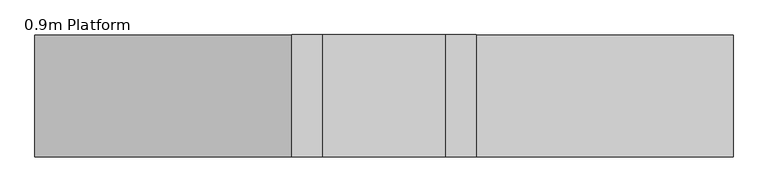
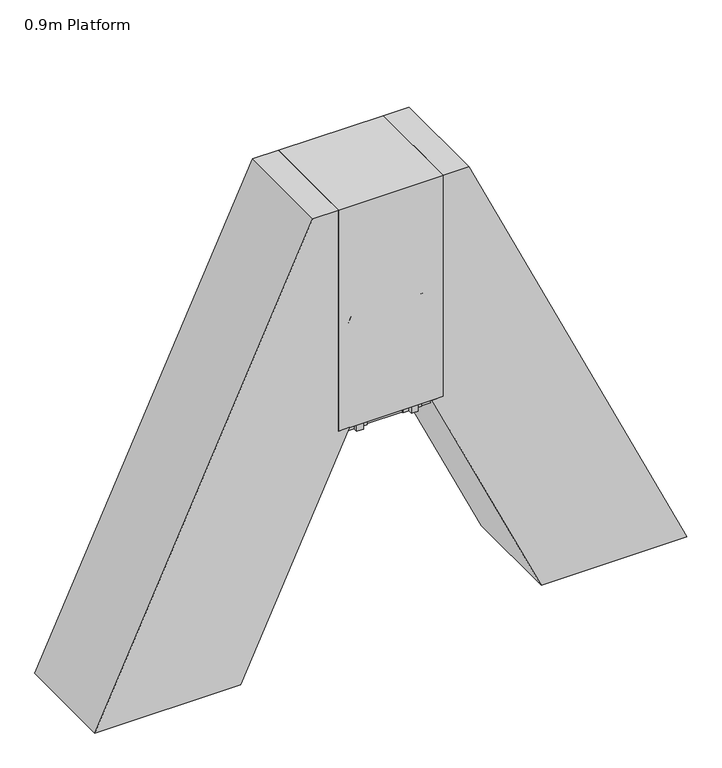
"""IFC4 building model written with IfcOpenShell, lengths in millimetres: proxy geometry, 0.9m Platform."""

from ifc_helpers import new_model, si_unit, point, frame, frame_2d, origin, origin_with_axes, place, context, project, spatial, polyline, circle_curve, ellipse_curve, trimmed, segment, composite_curve, outline, extrude, source, transform, mapped, element, save
from ifc_brep_helpers import plane_surface, cylinder_surface, advanced_brep


def proxy_0_9m_platform_f0113017(model_context):
    return source(origin(), model_context, "Body", "SolidModel", [
        extrude(outline(polyline([(1750.0, 412.6767824), (1750.0, 302.3389904), (1670.0, 265.0343777), (1670.0, 375.3721748), (1750.0, 412.6767824)])), frame((0.0, -304.5, 0.0), z_axis=(0.0, 1.0, 0.0), x_axis=(0.0, 0.0, 1.0)), (0.0, 0.0, 1.0), 6.0),
        extrude(outline(polyline([(1750.0, 412.6767824), (1750.0, 302.3389904), (1670.0, 265.0343777), (1670.0, 375.3721748), (1750.0, 412.6767824)])), frame((0.0, 298.5, 0.0), z_axis=(0.0, 1.0, 0.0), x_axis=(0.0, 0.0, 1.0)), (0.0, 0.0, 1.0), 6.0),
        extrude(outline(polyline([(1750.0, 405.5048261), (1750.0, 385.2429206), (1749.2749538, 384.9048261), (1750.0, 384.5667315), (1750.0, 364.6429206), (1749.2749538, 364.3048261), (1750.0, 363.9667315), (1750.0, 344.0429206), (1749.2749538, 343.7048261), (1750.0, 343.3667315), (1750.0, 323.4429206), (1749.2749538, 323.1048261), (1750.0, 322.7667315), (1750.0, 302.3389904), (1712.0999991, 284.6659297), (1712.0999991, 286.8726855), (1747.0, 303.1468232), (1747.0, 401.8991475), (1712.0999991, 385.625012), (1712.0999991, 387.8317678), (1750.0, 405.5048261)])), frame((0.0, -298.5, 0.0), z_axis=(0.0, 1.0, 0.0), x_axis=(0.0, 0.0, 1.0)), (0.0, 0.0, 1.0), 597.0),
        extrude(outline(polyline([(1500.0, 296.0952949), (1500.0, 185.7575029), (1420.0, 148.4528903), (1420.0, 258.7906873), (1500.0, 296.0952949)])), frame((0.0, -304.5, 0.0), z_axis=(0.0, 1.0, 0.0), x_axis=(0.0, 0.0, 1.0)), (0.0, 0.0, 1.0), 6.0),
        extrude(outline(polyline([(1500.0, 296.0952949), (1500.0, 185.7575029), (1420.0, 148.4528903), (1420.0, 258.7906873), (1500.0, 296.0952949)])), frame((0.0, 298.5, 0.0), z_axis=(0.0, 1.0, 0.0), x_axis=(0.0, 0.0, 1.0)), (0.0, 0.0, 1.0), 6.0),
        extrude(outline(polyline([(1500.0, 288.9233386), (1500.0, 268.6614332), (1499.2749538, 268.3233386), (1500.0, 267.9852441), (1500.0, 248.0614332), (1499.2749538, 247.7233386), (1500.0, 247.3852441), (1500.0, 227.4614332), (1499.2749538, 227.1233386), (1500.0, 226.7852441), (1500.0, 206.8614332), (1499.2749538, 206.5233386), (1500.0, 206.1852441), (1500.0, 185.7575029), (1462.0999991, 168.0844423), (1462.0999991, 170.2911981), (1497.0, 186.5653358), (1497.0, 285.3176601), (1462.0999991, 269.0435246), (1462.0999991, 271.2502804), (1500.0, 288.9233386)])), frame((0.0, -298.5, 0.0), z_axis=(0.0, 1.0, 0.0), x_axis=(0.0, 0.0, 1.0)), (0.0, 0.0, 1.0), 597.0),
        extrude(outline(polyline([(1250.0, 179.5138075), (1250.0, 69.1760155), (1170.0, 31.8714028), (1170.0, 142.2091999), (1250.0, 179.5138075)])), frame((0.0, -304.5, 0.0), z_axis=(0.0, 1.0, 0.0), x_axis=(0.0, 0.0, 1.0)), (0.0, 0.0, 1.0), 6.0),
        extrude(outline(polyline([(1250.0, 179.5138075), (1250.0, 69.1760155), (1170.0, 31.8714028), (1170.0, 142.2091999), (1250.0, 179.5138075)])), frame((0.0, 298.5, 0.0), z_axis=(0.0, 1.0, 0.0), x_axis=(0.0, 0.0, 1.0)), (0.0, 0.0, 1.0), 6.0),
        extrude(outline(polyline([(1250.0, 172.3418512), (1250.0, 152.0799458), (1249.2749538, 151.7418512), (1250.0, 151.4037566), (1250.0, 131.4799458), (1249.2749538, 131.1418512), (1250.0, 130.8037566), (1250.0, 110.8799458), (1249.2749538, 110.5418512), (1250.0, 110.2037566), (1250.0, 90.2799458), (1249.2749538, 89.9418512), (1250.0, 89.6037566), (1250.0, 69.1760155), (1212.0999991, 51.5029549), (1212.0999991, 53.7097107), (1247.0, 69.9838484), (1247.0, 168.7361726), (1212.0999991, 152.4620372), (1212.0999991, 154.668793), (1250.0, 172.3418512)])), frame((0.0, -298.5, 0.0), z_axis=(0.0, 1.0, 0.0), x_axis=(0.0, 0.0, 1.0)), (0.0, 0.0, 1.0), 597.0),
        extrude(outline(polyline([(1000.0, 62.9323201), (1000.0, -47.4054719), (920.0, -84.7100846), (920.0, 25.6277125), (1000.0, 62.9323201)])), frame((0.0, -304.5, 0.0), z_axis=(0.0, 1.0, 0.0), x_axis=(0.0, 0.0, 1.0)), (0.0, 0.0, 1.0), 6.0),
        extrude(outline(polyline([(1000.0, 62.9323201), (1000.0, -47.4054719), (920.0, -84.7100846), (920.0, 25.6277125), (1000.0, 62.9323201)])), frame((0.0, 298.5, 0.0), z_axis=(0.0, 1.0, 0.0), x_axis=(0.0, 0.0, 1.0)), (0.0, 0.0, 1.0), 6.0),
        extrude(outline(polyline([(1000.0, 55.7603638), (1000.0, 35.4984584), (999.2749538, 35.1603638), (1000.0, 34.8222692), (1000.0, 14.8984584), (999.2749538, 14.5603638), (1000.0, 14.2222692), (1000.0, -5.7015416), (999.2749538, -6.0396362), (1000.0, -6.3777308), (1000.0, -26.3015416), (999.2749538, -26.6396362), (1000.0, -26.9777308), (1000.0, -47.4054719), (962.0999991, -65.0785326), (962.0999991, -62.8717767), (997.0, -46.5976391), (997.0, 52.1546852), (962.0999991, 35.8805498), (962.0999991, 38.0873055), (1000.0, 55.7603638)])), frame((0.0, -298.5, 0.0), z_axis=(0.0, 1.0, 0.0), x_axis=(0.0, 0.0, 1.0)), (0.0, 0.0, 1.0), 597.0),
        extrude(outline(polyline([(750.0, -53.6491673), (750.0, -163.9869594), (670.0, -201.291572), (670.0, -90.9537749), (750.0, -53.6491673)])), frame((0.0, -304.5, 0.0), z_axis=(0.0, 1.0, 0.0), x_axis=(0.0, 0.0, 1.0)), (0.0, 0.0, 1.0), 6.0),
        extrude(outline(polyline([(750.0, -53.6491673), (750.0, -163.9869594), (670.0, -201.291572), (670.0, -90.9537749), (750.0, -53.6491673)])), frame((0.0, 298.5, 0.0), z_axis=(0.0, 1.0, 0.0), x_axis=(0.0, 0.0, 1.0)), (0.0, 0.0, 1.0), 6.0),
        extrude(outline(polyline([(750.0, -60.8211236), (750.0, -81.0830291), (749.2749538, -81.4211236), (750.0, -81.7592182), (750.0, -101.6830291), (749.2749538, -102.0211236), (750.0, -102.3592182), (750.0, -122.2830291), (749.2749538, -122.6211236), (750.0, -122.9592182), (750.0, -142.8830291), (749.2749538, -143.2211236), (750.0, -143.5592182), (750.0, -163.9869594), (712.0999991, -181.66002), (712.0999991, -179.4532642), (747.0, -163.1791265), (747.0, -64.4268022), (712.0999991, -80.7009377), (712.0999991, -78.4941819), (750.0, -60.8211236)])), frame((0.0, -298.5, 0.0), z_axis=(0.0, 1.0, 0.0), x_axis=(0.0, 0.0, 1.0)), (0.0, 0.0, 1.0), 597.0),
        extrude(outline(polyline([(500.0, -170.2306548), (500.0, -280.5684468), (420.0, -317.8730594), (420.0, -207.5352624), (500.0, -170.2306548)])), frame((0.0, -304.5, 0.0), z_axis=(0.0, 1.0, 0.0), x_axis=(0.0, 0.0, 1.0)), (0.0, 0.0, 1.0), 6.0),
        extrude(outline(polyline([(500.0, -170.2306548), (500.0, -280.5684468), (420.0, -317.8730594), (420.0, -207.5352624), (500.0, -170.2306548)])), frame((0.0, 298.5, 0.0), z_axis=(0.0, 1.0, 0.0), x_axis=(0.0, 0.0, 1.0)), (0.0, 0.0, 1.0), 6.0),
        extrude(outline(polyline([(500.0, -177.4026111), (500.0, -197.6645165), (499.2749538, -198.0026111), (500.0, -198.3407056), (500.0, -218.2645165), (499.2749538, -218.6026111), (500.0, -218.9407056), (500.0, -238.8645165), (499.2749538, -239.2026111), (500.0, -239.5407056), (500.0, -259.4645165), (499.2749538, -259.8026111), (500.0, -260.1407056), (500.0, -280.5684468), (462.0999991, -298.2415074), (462.0999991, -296.0347516), (497.0, -279.7606139), (497.0, -181.0082896), (462.0999991, -197.2824251), (462.0999991, -195.0756693), (500.0, -177.4026111)])), frame((0.0, -298.5, 0.0), z_axis=(0.0, 1.0, 0.0), x_axis=(0.0, 0.0, 1.0)), (0.0, 0.0, 1.0), 597.0),
        extrude(outline(polyline([(-0.0541093, 0.0), (0.7582532, 5.9447512), (185.4590013, 5.9447512), (254.8144324, -3.5328109), (254.0020699, -9.4775622), (184.6466388, 0.0), (-0.0541093, 0.0)])), frame((-204.795957, -375.0, 1079.978918), z_axis=(0.4226302122585525, 0.0, 0.9063022143227341), x_axis=(0.897956867570804, 0.13539374535780344, -0.4187385791880372)), (0.0, 0.0, 1.0), 80.0),
        extrude(outline(polyline([(-0.0541093, 0.0), (0.7582532, 5.9447512), (185.4590013, 5.9447512), (254.8144324, -3.5328109), (254.0020699, -9.4775622), (184.6466388, 0.0), (-0.0541093, 0.0)])), frame((156.4356149, -375.0, 1854.615856), z_axis=(0.4226302122585525, 0.0, 0.9063022143227341), x_axis=(0.897956867570804, 0.13539374535780344, -0.4187385791880372)), (0.0, 0.0, 1.0), 80.0),
        extrude(outline(polyline([(0.0, 32.0), (2.9999999, 32.0), (2.9999999, 0.0), (0.0, 0.0), (0.0, 32.0)])), frame((-220.2423578, -388.0, 1054.0803998), z_axis=(0.4226302122585525, 0.0, 0.9063022143227341), x_axis=(0.9063022143227341, 0.0, -0.4226302122585525)), (0.0, 0.0, 1.0), 140.0),
        extrude(outline(polyline([(0.0, 32.0), (2.9999999, 32.0), (2.9999999, 0.0), (0.0, 0.0), (0.0, 32.0)])), frame((140.9892141, -388.0, 1828.7173378), z_axis=(0.4226302122585525, 0.0, 0.9063022143227341), x_axis=(0.9063022143227341, 0.0, -0.4226302122585525)), (0.0, 0.0, 1.0), 140.0),
        extrude(outline(composite_curve([segment(trimmed(circle_curve(frame_2d((0.0, 14.189404)), 22.4521533), [point((-17.4, 0.0))], [point((17.4, 0.0))], False, "CARTESIAN"), True, "CONTINUOUS"), segment(polyline([(17.4, 0.0), (-17.4, 0.0)]), True, "CONTINUOUS")], self_intersect=False)), frame((-292.0894939, -372.0, 900.0090234), z_axis=(0.4226302122585525, 0.0, 0.9063022143227341), x_axis=(0.0, 1.0, 0.0)), (0.0, 0.0, 1.0), 2184.7225481),
        extrude(outline(polyline([(-0.0541093, 0.0), (184.6466388, 0.0), (254.0020699, 9.4775622), (254.8144324, 3.5328109), (185.4590013, -5.9447512), (0.7582532, -5.9447512), (-0.0541093, 0.0)])), frame((-204.7949657, 375.0, 1079.981044), z_axis=(0.4226302122585526, 0.0, 0.9063022143227341), x_axis=(0.8979568675708031, -0.13539374535780926, -0.4187385791880372)), (0.0, 0.0, 1.0), 80.0),
        extrude(outline(polyline([(-0.0541093, 0.0), (184.6466389, 0.0), (254.00207, 9.4775622), (254.8144324, 3.532811), (185.4590014, -5.9447512), (0.7582532, -5.9447512), (-0.0541093, 0.0)])), frame((156.4366062, 375.0, 1854.617982), z_axis=(0.4226302122585526, 0.0, 0.9063022143227341), x_axis=(0.8979568675708031, -0.13539374535780926, -0.4187385791880372)), (0.0, 0.0, 1.0), 80.0),
        extrude(outline(polyline([(0.0, -32.0), (0.0, 0.0), (2.9999999, 0.0), (2.9999999, -32.0), (0.0, -32.0)])), frame((-220.2413665, 388.0, 1054.0825258), z_axis=(0.4226302122585525, 0.0, 0.9063022143227341), x_axis=(0.9063022143227341, 0.0, -0.4226302122585525)), (0.0, 0.0, 1.0), 140.0),
        extrude(outline(polyline([(0.0, -32.0), (0.0, 0.0), (3.0, 0.0), (3.0, -32.0), (0.0, -32.0)])), frame((140.9902054, 388.0, 1828.7194638), z_axis=(0.4226302122585525, 0.0, 0.9063022143227341), x_axis=(0.9063022143227341, 0.0, -0.4226302122585525)), (0.0, 0.0, 1.0), 140.0),
        extrude(outline(composite_curve([segment(polyline([(-17.4, 0.0), (17.4, 0.0)]), True, "CONTINUOUS"), segment(trimmed(circle_curve(frame_2d((0.0, -14.189404)), 22.4521533), [point((17.4, 0.0))], [point((-17.4, 0.0))], False, "CARTESIAN"), True, "CONTINUOUS")], self_intersect=False)), frame((-292.0885026, 372.0, 900.0111494), z_axis=(0.4226302122585525, 0.0, 0.9063022143227341), x_axis=(0.0, -1.0, 0.0)), (0.0, 0.0, 1.0), 2184.7225481),
        extrude(outline(polyline([(2000.0, 529.2582698), (2000.0, 418.9204778), (1920.0, 381.6158651), (1920.0, 491.9536622), (2000.0, 529.2582698)])), frame((0.0, -304.5, 0.0), z_axis=(0.0, 1.0, 0.0), x_axis=(0.0, 0.0, 1.0)), (0.0, 0.0, 1.0), 6.0),
        extrude(outline(polyline([(2000.0, 529.2582698), (2000.0, 418.9204778), (1920.0, 381.6158651), (1920.0, 491.9536622), (2000.0, 529.2582698)])), frame((0.0, 298.5, 0.0), z_axis=(0.0, 1.0, 0.0), x_axis=(0.0, 0.0, 1.0)), (0.0, 0.0, 1.0), 6.0),
        extrude(outline(polyline([(2000.0, 522.0863135), (2000.0, 501.8244081), (1999.2749538, 501.4863135), (2000.0, 501.1482189), (2000.0, 481.2244081), (1999.2749538, 480.8863135), (2000.0, 480.5482189), (2000.0, 460.6244081), (1999.2749538, 460.2863135), (2000.0, 459.9482189), (2000.0, 440.0244081), (1999.2749538, 439.6863135), (2000.0, 439.3482189), (2000.0, 418.9204778), (1962.0999991, 401.2474171), (1962.0999991, 403.454173), (1997.0, 419.7283106), (1997.0, 518.4806349), (1962.0999991, 502.2064995), (1962.0999991, 504.4132553), (2000.0, 522.0863135)])), frame((0.0, -298.5, 0.0), z_axis=(0.0, 1.0, 0.0), x_axis=(0.0, 0.0, 1.0)), (0.0, 0.0, 1.0), 597.0),
        extrude(outline(polyline([(250.0, -286.8121422), (250.0, -397.1499342), (170.0, -434.4545469), (170.0, -324.1167498), (250.0, -286.8121422)])), frame((0.0, -304.5, 0.0), z_axis=(0.0, 1.0, 0.0), x_axis=(0.0, 0.0, 1.0)), (0.0, 0.0, 1.0), 6.0),
        extrude(outline(polyline([(250.0, -286.8121422), (250.0, -397.1499342), (170.0, -434.4545469), (170.0, -324.1167498), (250.0, -286.8121422)])), frame((0.0, 298.5, 0.0), z_axis=(0.0, 1.0, 0.0), x_axis=(0.0, 0.0, 1.0)), (0.0, 0.0, 1.0), 6.0),
        extrude(outline(polyline([(250.0, -293.9840985), (250.0, -314.2460039), (249.2749538, -314.5840985), (250.0, -314.9221931), (250.0, -334.8460039), (249.2749538, -335.1840985), (250.0, -335.5221931), (250.0, -355.4460039), (249.2749538, -355.7840985), (250.0, -356.1221931), (250.0, -376.0460039), (249.2749538, -376.3840985), (250.0, -376.7221931), (250.0, -397.1499342), (212.0999991, -414.8229949), (212.0999991, -412.616239), (247.0, -396.3421014), (247.0, -297.5897771), (212.0999991, -313.8639125), (212.0999991, -311.6571567), (250.0, -293.9840985)])), frame((0.0, -298.5, 0.0), z_axis=(0.0, 1.0, 0.0), x_axis=(0.0, 0.0, 1.0)), (0.0, 0.0, 1.0), 597.0),
        advanced_brep(
        [(682.0863135, -372.0, 2942.0), (682.0863135, -372.0, 2987.0), (669.3551755, -372.0, 2942.0), (640.687222, -372.0, 2987.0), (638.8104548, -372.0, 2876.4977609), (598.0267296, -372.0, 2895.5158512)],
        [
            (0, 1, circle_curve(frame((682.0863135, -372.0, 2964.5), z_axis=(1.0, 0.0, 0.0), x_axis=(0.0, 0.0, 1.0)), 22.5)),
            (1, 0, circle_curve(frame((682.0863135, -372.0, 2964.5), z_axis=(1.0, 0.0, 0.0), x_axis=(0.0, 0.0, 1.0)), 22.5)),
            (0, 2),
            (2, 3, ellipse_curve(frame((655.0211988, -372.0, 2964.5), z_axis=(0.8433932143582125, 0.0, 0.5372968322766498), x_axis=(0.5372968322766497, 0.0, -0.8433932143582125)), 26.6779476, 22.5)),
            (3, 1),
            (3, 2, ellipse_curve(frame((655.0211988, -372.0, 2964.5), z_axis=(0.8433932143582125, 0.0, 0.5372968322766498), x_axis=(0.5372968322766497, 0.0, -0.8433932143582125)), 26.6779476, 22.5)),
            (4, 5, circle_curve(frame((618.4185922, -372.0, 2886.0068061), z_axis=(-0.42262422805095523, 0.0, -0.9063050048765781), x_axis=(-0.9063050048765781, 0.0, 0.42262422805095523)), 22.5)),
            (5, 4, circle_curve(frame((618.4185922, -372.0, 2886.0068061), z_axis=(-0.42262422805095523, 0.0, -0.9063050048765781), x_axis=(-0.9063050048765781, 0.0, 0.42262422805095523)), 22.5)),
            (2, 4),
            (5, 3),
        ],
        [
            plane_surface(frame((682.0863135, 0.0, 2987.0), z_axis=(1.0, 0.0, 0.0), x_axis=(0.0, 1.0, 0.0))),
            cylinder_surface(frame((682.0863135, -372.0, 2964.5), z_axis=(1.0, 0.0, 0.0), x_axis=(0.0, 0.0, 1.0)), 22.5),
            plane_surface(frame((598.0267296, 0.0, 2895.5158512), z_axis=(-0.42262422805095523, 0.0, -0.9063050048765781), x_axis=(0.0, 1.0, 0.0))),
            cylinder_surface(frame((661.0790846, -372.0, 2977.4909549), z_axis=(0.42262422805095523, 0.0, 0.9063050048765781), x_axis=(-0.9063050048765781, 0.0, 0.42262422805095523)), 22.5),
        ],
        [
            (0, [[1, 2]]),
            (1, [[-1, 3, 4, 5]]),
            (1, [[-2, -5, 6, -3]]),
            (2, [[7, 8]]),
            (3, [[-4, 9, -8, 10]]),
            (3, [[-6, -10, -7, -9]]),
        ],
    ),
        advanced_brep(
        [(682.0863135, 372.0, 2942.0), (682.0863135, 372.0, 2987.0), (669.3551755, 372.0, 2942.0), (640.687222, 372.0, 2987.0), (638.8104548, 372.0, 2876.4977609), (598.0267296, 372.0, 2895.5158512)],
        [
            (0, 1, circle_curve(frame((682.0863135, 372.0, 2964.5), z_axis=(1.0, 0.0, 0.0), x_axis=(0.0, 0.0, 1.0)), 22.5)),
            (1, 0, circle_curve(frame((682.0863135, 372.0, 2964.5), z_axis=(1.0, 0.0, 0.0), x_axis=(0.0, 0.0, 1.0)), 22.5)),
            (0, 2),
            (2, 3, ellipse_curve(frame((655.0211988, 372.0, 2964.5), z_axis=(0.8433932143582125, 0.0, 0.5372968322766498), x_axis=(0.5372968322766497, 0.0, -0.8433932143582125)), 26.6779476, 22.5)),
            (3, 1),
            (3, 2, ellipse_curve(frame((655.0211988, 372.0, 2964.5), z_axis=(0.8433932143582125, 0.0, 0.5372968322766498), x_axis=(0.5372968322766497, 0.0, -0.8433932143582125)), 26.6779476, 22.5)),
            (4, 5, circle_curve(frame((618.4185922, 372.0, 2886.0068061), z_axis=(-0.42262422805095523, 0.0, -0.9063050048765781), x_axis=(-0.9063050048765781, 0.0, 0.42262422805095523)), 22.5)),
            (5, 4, circle_curve(frame((618.4185922, 372.0, 2886.0068061), z_axis=(-0.42262422805095523, 0.0, -0.9063050048765781), x_axis=(-0.9063050048765781, 0.0, 0.42262422805095523)), 22.5)),
            (2, 4),
            (5, 3),
        ],
        [
            plane_surface(frame((682.0863135, 0.0, 2987.0), z_axis=(1.0, 0.0, 0.0), x_axis=(0.0, 1.0, 0.0))),
            cylinder_surface(frame((682.0863135, 372.0, 2964.5), z_axis=(1.0, 0.0, 0.0), x_axis=(0.0, 0.0, 1.0)), 22.5),
            plane_surface(frame((598.0267296, 0.0, 2895.5158512), z_axis=(-0.42262422805095523, 0.0, -0.9063050048765781), x_axis=(0.0, 1.0, 0.0))),
            cylinder_surface(frame((661.0790846, 372.0, 2977.4909549), z_axis=(0.42262422805095523, 0.0, 0.9063050048765781), x_axis=(-0.9063050048765781, 0.0, 0.42262422805095523)), 22.5),
        ],
        [
            (0, [[1, 2]]),
            (1, [[-1, 3, 4, 5]]),
            (1, [[-2, -5, 6, -3]]),
            (2, [[7, 8]]),
            (3, [[-4, 9, -8, 10]]),
            (3, [[-6, -10, -7, -9]]),
        ],
    ),
        extrude(outline(polyline([(-304.5, 80.0), (-304.5, 0.0), (-343.0, 0.0), (-343.0, 80.0), (-304.5, 80.0)])), frame((-422.6587693, 0.0, 6.0), z_axis=(0.4226182617406975, 0.0, 0.9063077870366509), x_axis=(0.0, 1.0, 0.0)), (0.0, 0.0, 1.0), 2200.1355704),
        extrude(outline(polyline([(343.0, 80.0), (343.0, 0.0), (304.5, 0.0), (304.5, 80.0), (343.0, 80.0)])), frame((-422.6587693, 0.0, 6.0), z_axis=(0.4226182617406975, 0.0, 0.9063077870366509), x_axis=(0.0, 1.0, 0.0)), (0.0, 0.0, 1.0), 2200.1355704),
        extrude(outline(polyline([(141.9461681, -447.5362635), (6.0, -510.9290028), (6.0, -422.6587693), (108.1367071, -375.0316406), (141.9461681, -447.5362635)])), frame((0.0, -350.0, 0.0), z_axis=(0.0, 1.0, 0.0), x_axis=(0.0, 0.0, 1.0)), (0.0, 0.0, 1.0), 6.0),
        extrude(outline(polyline([(141.9461681, -447.5362635), (6.0, -510.9290028), (6.0, -422.6587693), (108.1367071, -375.0316406), (141.9461681, -447.5362635)])), frame((0.0, 344.0, 0.0), z_axis=(0.0, 1.0, 0.0), x_axis=(0.0, 0.0, 1.0)), (0.0, 0.0, 1.0), 6.0),
        extrude(outline(polyline([(-516.8290028, -358.0), (-516.8290028, 358.0), (-416.8290028, 358.0), (-416.8290028, -358.0), (-516.8290028, -358.0)])), origin_with_axes(), (0.0, 0.0, 1.0), 6.0),
        extrude(outline(polyline([(2000.0, 618.9194894), (2000.0, 522.0863135), (4000.0, 522.0863135), (4000.0, 303.3518896), (0.0, -1561.9429561), (0.0, -313.7279335), (2000.0, 618.9194894)])), frame((0.0, -444.5, 0.0), z_axis=(0.0, 1.0, 0.0), x_axis=(0.0, 0.0, 1.0)), (0.0, 0.0, 1.0), 889.0),
        extrude(outline(polyline([(1750.0, 1531.4958446), (1670.0, 1568.8004522), (1670.0, 1679.1382493), (1750.0, 1641.8336367), (1750.0, 1531.4958446)])), frame((0.0, 298.5, 0.0), z_axis=(0.0, 1.0, 0.0), x_axis=(0.0, 0.0, 1.0)), (0.0, 0.0, 1.0), 6.0),
        extrude(outline(polyline([(1750.0, 1531.4958446), (1670.0, 1568.8004522), (1670.0, 1679.1382493), (1750.0, 1641.8336367), (1750.0, 1531.4958446)])), frame((0.0, -304.5, 0.0), z_axis=(0.0, 1.0, 0.0), x_axis=(0.0, 0.0, 1.0)), (0.0, 0.0, 1.0), 6.0),
        extrude(outline(polyline([(1750.0, 1538.6678009), (1712.0999991, 1556.3408592), (1712.0999991, 1558.547615), (1747.0, 1542.2734795), (1747.0, 1641.0258038), (1712.0999991, 1657.2999415), (1712.0999991, 1659.5066973), (1750.0, 1641.8336367), (1750.0, 1621.4058955), (1749.2749538, 1621.0678009), (1750.0, 1620.7297064), (1750.0, 1600.8058955), (1749.2749538, 1600.4678009), (1750.0, 1600.1297064), (1750.0, 1580.2058955), (1749.2749538, 1579.8678009), (1750.0, 1579.5297064), (1750.0, 1559.6058955), (1749.2749538, 1559.2678009), (1750.0, 1558.9297064), (1750.0, 1538.6678009)])), frame((0.0, -298.5, 0.0), z_axis=(0.0, 1.0, 0.0), x_axis=(0.0, 0.0, 1.0)), (0.0, 0.0, 1.0), 597.0),
        extrude(outline(polyline([(1500.0, 1648.0773321), (1420.0, 1685.3819397), (1420.0, 1795.7197367), (1500.0, 1758.4151241), (1500.0, 1648.0773321)])), frame((0.0, 298.5, 0.0), z_axis=(0.0, 1.0, 0.0), x_axis=(0.0, 0.0, 1.0)), (0.0, 0.0, 1.0), 6.0),
        extrude(outline(polyline([(1500.0, 1648.0773321), (1420.0, 1685.3819397), (1420.0, 1795.7197367), (1500.0, 1758.4151241), (1500.0, 1648.0773321)])), frame((0.0, -304.5, 0.0), z_axis=(0.0, 1.0, 0.0), x_axis=(0.0, 0.0, 1.0)), (0.0, 0.0, 1.0), 6.0),
        extrude(outline(polyline([(1500.0, 1655.2492884), (1462.0999991, 1672.9223466), (1462.0999991, 1675.1291024), (1497.0, 1658.8549669), (1497.0, 1757.6072912), (1462.0999991, 1773.8814289), (1462.0999991, 1776.0881847), (1500.0, 1758.4151241), (1500.0, 1737.9873829), (1499.2749538, 1737.6492884), (1500.0, 1737.3111938), (1500.0, 1717.3873829), (1499.2749538, 1717.0492884), (1500.0, 1716.7111938), (1500.0, 1696.7873829), (1499.2749538, 1696.4492884), (1500.0, 1696.1111938), (1500.0, 1676.1873829), (1499.2749538, 1675.8492884), (1500.0, 1675.5111938), (1500.0, 1655.2492884)])), frame((0.0, -298.5, 0.0), z_axis=(0.0, 1.0, 0.0), x_axis=(0.0, 0.0, 1.0)), (0.0, 0.0, 1.0), 597.0),
        extrude(outline(polyline([(1250.0, 1764.6588195), (1170.0, 1801.9634271), (1170.0, 1912.3012242), (1250.0, 1874.9966115), (1250.0, 1764.6588195)])), frame((0.0, 298.5, 0.0), z_axis=(0.0, 1.0, 0.0), x_axis=(0.0, 0.0, 1.0)), (0.0, 0.0, 1.0), 6.0),
        extrude(outline(polyline([(1250.0, 1764.6588195), (1170.0, 1801.9634271), (1170.0, 1912.3012242), (1250.0, 1874.9966115), (1250.0, 1764.6588195)])), frame((0.0, -304.5, 0.0), z_axis=(0.0, 1.0, 0.0), x_axis=(0.0, 0.0, 1.0)), (0.0, 0.0, 1.0), 6.0),
        extrude(outline(polyline([(1250.0, 1771.8307758), (1212.0999991, 1789.503834), (1212.0999991, 1791.7105898), (1247.0, 1775.4364544), (1247.0, 1874.1887786), (1212.0999991, 1890.4629163), (1212.0999991, 1892.6696722), (1250.0, 1874.9966115), (1250.0, 1854.5688704), (1249.2749538, 1854.2307758), (1250.0, 1853.8926812), (1250.0, 1833.9688704), (1249.2749538, 1833.6307758), (1250.0, 1833.2926812), (1250.0, 1813.3688704), (1249.2749538, 1813.0307758), (1250.0, 1812.6926812), (1250.0, 1792.7688704), (1249.2749538, 1792.4307758), (1250.0, 1792.0926812), (1250.0, 1771.8307758)])), frame((0.0, -298.5, 0.0), z_axis=(0.0, 1.0, 0.0), x_axis=(0.0, 0.0, 1.0)), (0.0, 0.0, 1.0), 597.0),
        extrude(outline(polyline([(1000.0, 1881.2403069), (920.0, 1918.5449145), (920.0, 2028.8827116), (1000.0, 1991.5780989), (1000.0, 1881.2403069)])), frame((0.0, 298.5, 0.0), z_axis=(0.0, 1.0, 0.0), x_axis=(0.0, 0.0, 1.0)), (0.0, 0.0, 1.0), 6.0),
        extrude(outline(polyline([(1000.0, 1881.2403069), (920.0, 1918.5449145), (920.0, 2028.8827116), (1000.0, 1991.5780989), (1000.0, 1881.2403069)])), frame((0.0, -304.5, 0.0), z_axis=(0.0, 1.0, 0.0), x_axis=(0.0, 0.0, 1.0)), (0.0, 0.0, 1.0), 6.0),
        extrude(outline(polyline([(1000.0, 1888.4122632), (962.0999991, 1906.0853215), (962.0999991, 1908.2920772), (997.0, 1892.0179418), (997.0, 1990.7702661), (962.0999991, 2007.0444037), (962.0999991, 2009.2511596), (1000.0, 1991.5780989), (1000.0, 1971.1503578), (999.2749538, 1970.8122632), (1000.0, 1970.4741686), (1000.0, 1950.5503578), (999.2749538, 1950.2122632), (1000.0, 1949.8741686), (1000.0, 1929.9503578), (999.2749538, 1929.6122632), (1000.0, 1929.2741686), (1000.0, 1909.3503578), (999.2749538, 1909.0122632), (1000.0, 1908.6741686), (1000.0, 1888.4122632)])), frame((0.0, -298.5, 0.0), z_axis=(0.0, 1.0, 0.0), x_axis=(0.0, 0.0, 1.0)), (0.0, 0.0, 1.0), 597.0),
        extrude(outline(polyline([(750.0, 1997.8217943), (670.0, 2035.1264019), (670.0, 2145.464199), (750.0, 2108.1595864), (750.0, 1997.8217943)])), frame((0.0, 298.5, 0.0), z_axis=(0.0, 1.0, 0.0), x_axis=(0.0, 0.0, 1.0)), (0.0, 0.0, 1.0), 6.0),
        extrude(outline(polyline([(750.0, 1997.8217943), (670.0, 2035.1264019), (670.0, 2145.464199), (750.0, 2108.1595864), (750.0, 1997.8217943)])), frame((0.0, -304.5, 0.0), z_axis=(0.0, 1.0, 0.0), x_axis=(0.0, 0.0, 1.0)), (0.0, 0.0, 1.0), 6.0),
        extrude(outline(polyline([(750.0, 2004.9937506), (712.0999991, 2022.6668089), (712.0999991, 2024.8735647), (747.0, 2008.5994292), (747.0, 2107.3517535), (712.0999991, 2123.6258912), (712.0999991, 2125.832647), (750.0, 2108.1595864), (750.0, 2087.7318452), (749.2749538, 2087.3937506), (750.0, 2087.0556561), (750.0, 2067.1318452), (749.2749538, 2066.7937506), (750.0, 2066.4556561), (750.0, 2046.5318452), (749.2749538, 2046.1937506), (750.0, 2045.8556561), (750.0, 2025.9318452), (749.2749538, 2025.5937506), (750.0, 2025.2556561), (750.0, 2004.9937506)])), frame((0.0, -298.5, 0.0), z_axis=(0.0, 1.0, 0.0), x_axis=(0.0, 0.0, 1.0)), (0.0, 0.0, 1.0), 597.0),
        extrude(outline(polyline([(500.0, 2114.4032818), (420.0, 2151.7078894), (420.0, 2262.0456864), (500.0, 2224.7410738), (500.0, 2114.4032818)])), frame((0.0, 298.5, 0.0), z_axis=(0.0, 1.0, 0.0), x_axis=(0.0, 0.0, 1.0)), (0.0, 0.0, 1.0), 6.0),
        extrude(outline(polyline([(500.0, 2114.4032818), (420.0, 2151.7078894), (420.0, 2262.0456864), (500.0, 2224.7410738), (500.0, 2114.4032818)])), frame((0.0, -304.5, 0.0), z_axis=(0.0, 1.0, 0.0), x_axis=(0.0, 0.0, 1.0)), (0.0, 0.0, 1.0), 6.0),
        extrude(outline(polyline([(500.0, 2121.5752381), (462.0999991, 2139.2482963), (462.0999991, 2141.4550521), (497.0, 2125.1809166), (497.0, 2223.9332409), (462.0999991, 2240.2073786), (462.0999991, 2242.4141344), (500.0, 2224.7410738), (500.0, 2204.3133326), (499.2749538, 2203.9752381), (500.0, 2203.6371435), (500.0, 2183.7133326), (499.2749538, 2183.3752381), (500.0, 2183.0371435), (500.0, 2163.1133326), (499.2749538, 2162.7752381), (500.0, 2162.4371435), (500.0, 2142.5133326), (499.2749538, 2142.1752381), (500.0, 2141.8371435), (500.0, 2121.5752381)])), frame((0.0, -298.5, 0.0), z_axis=(0.0, 1.0, 0.0), x_axis=(0.0, 0.0, 1.0)), (0.0, 0.0, 1.0), 597.0),
        extrude(outline(polyline([(-0.0541093, 0.0), (0.7582532, 5.9447512), (185.4590013, 5.9447512), (254.8144324, -3.5328109), (254.0020699, -9.4775622), (184.6466388, 0.0), (-0.0541093, 0.0)])), frame((2148.968584, 375.0, 1079.978918), z_axis=(-0.42263021225855246, 0.0, 0.906302214322734), x_axis=(-0.8979568675708035, -0.13539374535780635, -0.4187385791880372)), (0.0, 0.0, 1.0), 80.0),
        extrude(outline(polyline([(-0.0541093, 0.0), (0.7582532, 5.9447512), (185.4590013, 5.9447512), (254.8144324, -3.5328109), (254.0020699, -9.4775622), (184.6466388, 0.0), (-0.0541093, 0.0)])), frame((1787.7370121, 375.0, 1854.615856), z_axis=(-0.42263021225855246, 0.0, 0.906302214322734), x_axis=(-0.8979568675708035, -0.13539374535780635, -0.4187385791880372)), (0.0, 0.0, 1.0), 80.0),
        extrude(outline(polyline([(0.0, 32.0), (2.9999999, 32.0), (2.9999999, 0.0), (0.0, 0.0), (0.0, 32.0)])), frame((2164.4149848, 388.0, 1054.0803998), z_axis=(-0.4226302122585525, 0.0, 0.9063022143227341), x_axis=(-0.9063022143227341, 0.0, -0.4226302122585525)), (0.0, 0.0, 1.0), 140.0),
        extrude(outline(polyline([(0.0, 32.0), (2.9999999, 32.0), (2.9999999, 0.0), (0.0, 0.0), (0.0, 32.0)])), frame((1803.1834129, 388.0, 1828.7173378), z_axis=(-0.4226302122585525, 0.0, 0.9063022143227341), x_axis=(-0.9063022143227341, 0.0, -0.4226302122585525)), (0.0, 0.0, 1.0), 140.0),
        extrude(outline(composite_curve([segment(trimmed(circle_curve(frame_2d((0.0, 14.189404)), 22.4521533), [point((-17.4, 0.0))], [point((17.4, 0.0))], False, "CARTESIAN"), True, "CONTINUOUS"), segment(polyline([(17.4, 0.0), (-17.4, 0.0)]), True, "CONTINUOUS")], self_intersect=False)), frame((2236.2621209, 372.0, 900.0090234), z_axis=(-0.4226302122585525, 0.0, 0.9063022143227341), x_axis=(0.0, -1.0, 0.0)), (0.0, 0.0, 1.0), 2184.7225481),
        extrude(outline(polyline([(-0.0541093, 0.0), (184.6466388, 0.0), (254.0020699, 9.4775622), (254.8144324, 3.5328109), (185.4590013, -5.9447512), (0.7582532, -5.9447512), (-0.0541093, 0.0)])), frame((2148.9675927, -375.0, 1079.981044), z_axis=(-0.42263021225855246, 0.0, 0.906302214322734), x_axis=(-0.8979568675708035, 0.13539374535780635, -0.4187385791880372)), (0.0, 0.0, 1.0), 80.0),
        extrude(outline(polyline([(-0.0541093, 0.0), (184.6466389, 0.0), (254.00207, 9.4775622), (254.8144324, 3.532811), (185.4590014, -5.9447512), (0.7582532, -5.9447512), (-0.0541093, 0.0)])), frame((1787.7360208, -375.0, 1854.617982), z_axis=(-0.42263021225855246, 0.0, 0.906302214322734), x_axis=(-0.8979568675708035, 0.13539374535780635, -0.4187385791880372)), (0.0, 0.0, 1.0), 80.0),
        extrude(outline(polyline([(0.0, -32.0), (0.0, 0.0), (2.9999999, 0.0), (2.9999999, -32.0), (0.0, -32.0)])), frame((2164.4139935, -388.0, 1054.0825258), z_axis=(-0.4226302122585525, 0.0, 0.9063022143227341), x_axis=(-0.9063022143227341, 0.0, -0.4226302122585525)), (0.0, 0.0, 1.0), 140.0),
        extrude(outline(polyline([(0.0, -32.0), (0.0, 0.0), (3.0, 0.0), (3.0, -32.0), (0.0, -32.0)])), frame((1803.1824216, -388.0, 1828.7194638), z_axis=(-0.4226302122585525, 0.0, 0.9063022143227341), x_axis=(-0.9063022143227341, 0.0, -0.4226302122585525)), (0.0, 0.0, 1.0), 140.0),
        extrude(outline(composite_curve([segment(polyline([(-17.4, 0.0), (17.4, 0.0)]), True, "CONTINUOUS"), segment(trimmed(circle_curve(frame_2d((0.0, -14.189404)), 22.4521533), [point((17.4, 0.0))], [point((-17.4, 0.0))], False, "CARTESIAN"), True, "CONTINUOUS")], self_intersect=False)), frame((2236.2611296, -372.0, 900.0111494), z_axis=(-0.4226302122585525, 0.0, 0.9063022143227341), x_axis=(0.0, 1.0, 0.0)), (0.0, 0.0, 1.0), 2184.7225481),
        extrude(outline(polyline([(2000.0, 1414.9143572), (1920.0, 1452.2189648), (1920.0, 1562.5567619), (2000.0, 1525.2521492), (2000.0, 1414.9143572)])), frame((0.0, 298.5, 0.0), z_axis=(0.0, 1.0, 0.0), x_axis=(0.0, 0.0, 1.0)), (0.0, 0.0, 1.0), 6.0),
        extrude(outline(polyline([(2000.0, 1414.9143572), (1920.0, 1452.2189648), (1920.0, 1562.5567619), (2000.0, 1525.2521492), (2000.0, 1414.9143572)])), frame((0.0, -304.5, 0.0), z_axis=(0.0, 1.0, 0.0), x_axis=(0.0, 0.0, 1.0)), (0.0, 0.0, 1.0), 6.0),
        extrude(outline(polyline([(2000.0, 1422.0863135), (1962.0999991, 1439.7593717), (1962.0999991, 1441.9661275), (1997.0, 1425.6919921), (1997.0, 1524.4443164), (1962.0999991, 1540.718454), (1962.0999991, 1542.9252099), (2000.0, 1525.2521492), (2000.0, 1504.8244081), (1999.2749538, 1504.4863135), (2000.0, 1504.1482189), (2000.0, 1484.2244081), (1999.2749538, 1483.8863135), (2000.0, 1483.5482189), (2000.0, 1463.6244081), (1999.2749538, 1463.2863135), (2000.0, 1462.9482189), (2000.0, 1443.0244081), (1999.2749538, 1442.6863135), (2000.0, 1442.3482189), (2000.0, 1422.0863135)])), frame((0.0, -298.5, 0.0), z_axis=(0.0, 1.0, 0.0), x_axis=(0.0, 0.0, 1.0)), (0.0, 0.0, 1.0), 597.0),
        extrude(outline(polyline([(250.0, 2230.9847692), (170.0, 2268.2893768), (170.0, 2378.6271739), (250.0, 2341.3225612), (250.0, 2230.9847692)])), frame((0.0, 298.5, 0.0), z_axis=(0.0, 1.0, 0.0), x_axis=(0.0, 0.0, 1.0)), (0.0, 0.0, 1.0), 6.0),
        extrude(outline(polyline([(250.0, 2230.9847692), (170.0, 2268.2893768), (170.0, 2378.6271739), (250.0, 2341.3225612), (250.0, 2230.9847692)])), frame((0.0, -304.5, 0.0), z_axis=(0.0, 1.0, 0.0), x_axis=(0.0, 0.0, 1.0)), (0.0, 0.0, 1.0), 6.0),
        extrude(outline(polyline([(250.0, 2238.1567255), (212.0999991, 2255.8297837), (212.0999991, 2258.0365395), (247.0, 2241.7624041), (247.0, 2340.5147284), (212.0999991, 2356.788866), (212.0999991, 2358.9956219), (250.0, 2341.3225612), (250.0, 2320.8948201), (249.2749538, 2320.5567255), (250.0, 2320.2186309), (250.0, 2300.2948201), (249.2749538, 2299.9567255), (250.0, 2299.6186309), (250.0, 2279.6948201), (249.2749538, 2279.3567255), (250.0, 2279.0186309), (250.0, 2259.0948201), (249.2749538, 2258.7567255), (250.0, 2258.4186309), (250.0, 2238.1567255)])), frame((0.0, -298.5, 0.0), z_axis=(0.0, 1.0, 0.0), x_axis=(0.0, 0.0, 1.0)), (0.0, 0.0, 1.0), 597.0),
        advanced_brep(
        [(1262.0863135, 372.0, 2942.0), (1262.0863135, 372.0, 2987.0), (1274.8174515, 372.0, 2942.0), (1303.485405, 372.0, 2987.0), (1305.3621722, 372.0, 2876.4977609), (1346.1458974, 372.0, 2895.5158512)],
        [
            (0, 1, circle_curve(frame((1262.0863135, 372.0, 2964.5), z_axis=(-1.0, 0.0, 0.0), x_axis=(0.0, 0.0, 1.0)), 22.5)),
            (1, 0, circle_curve(frame((1262.0863135, 372.0, 2964.5), z_axis=(-1.0, 0.0, 0.0), x_axis=(0.0, 0.0, 1.0)), 22.5)),
            (0, 2),
            (2, 3, ellipse_curve(frame((1289.1514282, 372.0, 2964.5), z_axis=(-0.8433932143582125, 0.0, 0.5372968322766498), x_axis=(-0.5372968322766497, 0.0, -0.8433932143582125)), 26.6779476, 22.5)),
            (3, 1),
            (3, 2, ellipse_curve(frame((1289.1514282, 372.0, 2964.5), z_axis=(-0.8433932143582125, 0.0, 0.5372968322766498), x_axis=(-0.5372968322766497, 0.0, -0.8433932143582125)), 26.6779476, 22.5)),
            (4, 5, circle_curve(frame((1325.7540348, 372.0, 2886.0068061), z_axis=(0.42262422805095523, 0.0, -0.9063050048765781), x_axis=(0.9063050048765781, 0.0, 0.42262422805095523)), 22.5)),
            (5, 4, circle_curve(frame((1325.7540348, 372.0, 2886.0068061), z_axis=(0.42262422805095523, 0.0, -0.9063050048765781), x_axis=(0.9063050048765781, 0.0, 0.42262422805095523)), 22.5)),
            (2, 4),
            (5, 3),
        ],
        [
            plane_surface(frame((1262.0863135, 0.0, 2987.0), z_axis=(-1.0, 0.0, 0.0), x_axis=(0.0, -1.0, 0.0))),
            cylinder_surface(frame((1262.0863135, 372.0, 2964.5), z_axis=(-1.0, 0.0, 0.0), x_axis=(0.0, 0.0, 1.0)), 22.5),
            plane_surface(frame((1346.1458974, 0.0, 2895.5158512), z_axis=(0.42262422805095523, 0.0, -0.9063050048765781), x_axis=(0.0, -1.0, 0.0))),
            cylinder_surface(frame((1283.0935424, 372.0, 2977.4909549), z_axis=(-0.42262422805095523, 0.0, 0.9063050048765781), x_axis=(0.9063050048765781, 0.0, 0.42262422805095523)), 22.5),
        ],
        [
            (0, [[1, 2]]),
            (1, [[-1, 3, 4, 5]]),
            (1, [[-2, -5, 6, -3]]),
            (2, [[7, 8]]),
            (3, [[-4, 9, -8, 10]]),
            (3, [[-6, -10, -7, -9]]),
        ],
    ),
        advanced_brep(
        [(1262.0863135, -372.0, 2942.0), (1262.0863135, -372.0, 2987.0), (1274.8174515, -372.0, 2942.0), (1303.485405, -372.0, 2987.0), (1305.3621722, -372.0, 2876.4977609), (1346.1458974, -372.0, 2895.5158512)],
        [
            (0, 1, circle_curve(frame((1262.0863135, -372.0, 2964.5), z_axis=(-1.0, 0.0, 0.0), x_axis=(0.0, 0.0, 1.0)), 22.5)),
            (1, 0, circle_curve(frame((1262.0863135, -372.0, 2964.5), z_axis=(-1.0, 0.0, 0.0), x_axis=(0.0, 0.0, 1.0)), 22.5)),
            (0, 2),
            (2, 3, ellipse_curve(frame((1289.1514282, -372.0, 2964.5), z_axis=(-0.8433932143582125, 0.0, 0.5372968322766498), x_axis=(-0.5372968322766497, 0.0, -0.8433932143582125)), 26.6779476, 22.5)),
            (3, 1),
            (3, 2, ellipse_curve(frame((1289.1514282, -372.0, 2964.5), z_axis=(-0.8433932143582125, 0.0, 0.5372968322766498), x_axis=(-0.5372968322766497, 0.0, -0.8433932143582125)), 26.6779476, 22.5)),
            (4, 5, circle_curve(frame((1325.7540348, -372.0, 2886.0068061), z_axis=(0.42262422805095523, 0.0, -0.9063050048765781), x_axis=(0.9063050048765781, 0.0, 0.42262422805095523)), 22.5)),
            (5, 4, circle_curve(frame((1325.7540348, -372.0, 2886.0068061), z_axis=(0.42262422805095523, 0.0, -0.9063050048765781), x_axis=(0.9063050048765781, 0.0, 0.42262422805095523)), 22.5)),
            (2, 4),
            (5, 3),
        ],
        [
            plane_surface(frame((1262.0863135, 0.0, 2987.0), z_axis=(-1.0, 0.0, 0.0), x_axis=(0.0, -1.0, 0.0))),
            cylinder_surface(frame((1262.0863135, -372.0, 2964.5), z_axis=(-1.0, 0.0, 0.0), x_axis=(0.0, 0.0, 1.0)), 22.5),
            plane_surface(frame((1346.1458974, 0.0, 2895.5158512), z_axis=(0.42262422805095523, 0.0, -0.9063050048765781), x_axis=(0.0, -1.0, 0.0))),
            cylinder_surface(frame((1283.0935424, -372.0, 2977.4909549), z_axis=(-0.42262422805095523, 0.0, 0.9063050048765781), x_axis=(0.9063050048765781, 0.0, 0.42262422805095523)), 22.5),
        ],
        [
            (0, [[1, 2]]),
            (1, [[-1, 3, 4, 5]]),
            (1, [[-2, -5, 6, -3]]),
            (2, [[7, 8]]),
            (3, [[-4, 9, -8, 10]]),
            (3, [[-6, -10, -7, -9]]),
        ],
    ),
        extrude(outline(polyline([(-304.5, 80.0), (-304.5, 0.0), (-343.0, 0.0), (-343.0, 80.0), (-304.5, 80.0)])), frame((2366.8313963, 0.0, 6.0), z_axis=(-0.4226182617406975, 0.0, 0.9063077870366509), x_axis=(0.0, -1.0, 0.0)), (0.0, 0.0, 1.0), 2200.1355704),
        extrude(outline(polyline([(343.0, 80.0), (343.0, 0.0), (304.5, 0.0), (304.5, 80.0), (343.0, 80.0)])), frame((2366.8313963, 0.0, 6.0), z_axis=(-0.4226182617406975, 0.0, 0.9063077870366509), x_axis=(0.0, -1.0, 0.0)), (0.0, 0.0, 1.0), 2200.1355704),
        extrude(outline(polyline([(141.9461681, 2391.7088906), (108.1367071, 2319.2042676), (6.0, 2366.8313963), (6.0, 2455.1016298), (141.9461681, 2391.7088906)])), frame((0.0, 344.0, 0.0), z_axis=(0.0, 1.0, 0.0), x_axis=(0.0, 0.0, 1.0)), (0.0, 0.0, 1.0), 6.0),
        extrude(outline(polyline([(141.9461681, 2391.7088906), (108.1367071, 2319.2042676), (6.0, 2366.8313963), (6.0, 2455.1016298), (141.9461681, 2391.7088906)])), frame((0.0, -350.0, 0.0), z_axis=(0.0, 1.0, 0.0), x_axis=(0.0, 0.0, 1.0)), (0.0, 0.0, 1.0), 6.0),
        extrude(outline(polyline([(2461.0016298, 358.0), (2461.0016298, -358.0), (2361.0016298, -358.0), (2361.0016298, 358.0), (2461.0016298, 358.0)])), origin_with_axes(), (0.0, 0.0, 1.0), 6.0),
        extrude(outline(polyline([(2000.0, 1325.2531376), (0.0, 2257.9005605), (0.0, 3506.1155831), (4000.0, 1640.8207374), (4000.0, 1422.0863135), (2000.0, 1422.0863135), (2000.0, 1325.2531376)])), frame((0.0, -444.5, 0.0), z_axis=(0.0, 1.0, 0.0), x_axis=(0.0, 0.0, 1.0)), (0.0, 0.0, 1.0), 889.0),
        extrude(outline(polyline([(1126.0863135, 353.5), (1286.0863135, 353.5), (1286.0863135, 343.5), (1126.0863135, 343.5), (1126.0863135, 353.5)])), frame((0.0, 0.0, 1901.0), z_axis=(0.0, 0.0, 1.0), x_axis=(1.0, 0.0, 0.0)), (0.0, 0.0, 1.0), 80.0),
        extrude(outline(polyline([(1126.0863135, -343.5), (1286.0863135, -343.5), (1286.0863135, -353.5), (1126.0863135, -353.5), (1126.0863135, -343.5)])), frame((0.0, 0.0, 1901.0), z_axis=(0.0, 0.0, 1.0), x_axis=(1.0, 0.0, 0.0)), (0.0, 0.0, 1.0), 80.0),
        extrude(outline(polyline([(658.0863135, 353.5), (818.0863135, 353.5), (818.0863135, 343.5), (658.0863135, 343.5), (658.0863135, 353.5)])), frame((0.0, 0.0, 1901.0), z_axis=(0.0, 0.0, 1.0), x_axis=(1.0, 0.0, 0.0)), (0.0, 0.0, 1.0), 80.0),
        extrude(outline(polyline([(658.0863135, -343.5), (818.0863135, -343.5), (818.0863135, -353.5), (658.0863135, -353.5), (658.0863135, -343.5)])), frame((0.0, 0.0, 1901.0), z_axis=(0.0, 0.0, 1.0), x_axis=(1.0, 0.0, 0.0)), (0.0, 0.0, 1.0), 80.0),
        extrude(outline(composite_curve([segment(polyline([(353.5, 2478.0), (353.5, 2468.0)]), True, "CONTINUOUS"), segment(trimmed(circle_curve(frame_2d((338.5, 2468.0)), 15.0), [point((353.5, 2468.0))], [point((323.5, 2468.0))], False, "CARTESIAN"), True, "CONTINUOUS"), segment(polyline([(323.5, 2468.0), (323.5, 2478.0)]), True, "CONTINUOUS"), segment(trimmed(circle_curve(frame_2d((338.5, 2478.0)), 15.0), [point((323.5, 2478.0))], [point((353.5, 2478.0))], False, "CARTESIAN"), True, "CONTINUOUS")], self_intersect=False)), frame((582.0863135, 0.0, 0.0), z_axis=(1.0, 0.0, 0.0), x_axis=(0.0, 1.0, 0.0)), (0.0, 0.0, 1.0), 780.0),
        extrude(outline(composite_curve([segment(trimmed(circle_curve(frame_2d((-338.5, 2478.0)), 15.0), [point((-353.5, 2478.0))], [point((-323.5, 2478.0))], False, "CARTESIAN"), True, "CONTINUOUS"), segment(polyline([(-323.5, 2478.0), (-323.5, 2468.0)]), True, "CONTINUOUS"), segment(trimmed(circle_curve(frame_2d((-338.5, 2468.0)), 15.0), [point((-323.5, 2468.0))], [point((-353.5, 2468.0))], False, "CARTESIAN"), True, "CONTINUOUS"), segment(polyline([(-353.5, 2468.0), (-353.5, 2478.0)]), True, "CONTINUOUS")], self_intersect=False)), frame((582.0863135, 0.0, 0.0), z_axis=(1.0, 0.0, 0.0), x_axis=(0.0, 1.0, 0.0)), (0.0, 0.0, 1.0), 780.0),
        extrude(outline(polyline([(1177.0863135, 391.5), (1235.0863135, 391.5), (1235.0863135, 353.5), (1177.0863135, 353.5), (1177.0863135, 391.5)])), frame((0.0, 0.0, 1901.0), z_axis=(0.0, 0.0, 1.0), x_axis=(1.0, 0.0, 0.0)), (0.0, 0.0, 1.0), 1029.0),
        extrude(outline(polyline([(1235.0863135, -353.5), (1235.0863135, -391.5), (1177.0863135, -391.5), (1177.0863135, -353.5), (1235.0863135, -353.5)])), frame((0.0, 0.0, 1901.0), z_axis=(0.0, 0.0, 1.0), x_axis=(1.0, 0.0, 0.0)), (0.0, 0.0, 1.0), 1029.0),
        extrude(outline(polyline([(767.0863135, 391.5), (767.0863135, 353.5), (709.0863135, 353.5), (709.0863135, 391.5), (767.0863135, 391.5)])), frame((0.0, 0.0, 1901.0), z_axis=(0.0, 0.0, 1.0), x_axis=(1.0, 0.0, 0.0)), (0.0, 0.0, 1.0), 1029.0),
        extrude(outline(polyline([(767.0863135, -353.5), (767.0863135, -391.5), (709.0863135, -391.5), (709.0863135, -353.5), (767.0863135, -353.5)])), frame((0.0, 0.0, 1901.0), z_axis=(0.0, 0.0, 1.0), x_axis=(1.0, 0.0, 0.0)), (0.0, 0.0, 1.0), 1029.0),
        extrude(outline(polyline([(991.0863135, -305.0), (953.0863135, -305.0), (953.0863135, 305.0), (991.0863135, 305.0), (991.0863135, -305.0)])), frame((0.0, 0.0, 1923.0), z_axis=(0.0, 0.0, 1.0), x_axis=(1.0, 0.0, 0.0)), (0.0, 0.0, 1.0), 58.0),
        extrude(outline(polyline([(1422.0863135, 343.5), (1422.0863135, -343.5), (522.0863135, -343.5), (522.0863135, 343.5), (1422.0863135, 343.5)]), holes=[polyline([(1383.5863135, 305.0), (560.5863135, 305.0), (560.5863135, -305.0), (1383.5863135, -305.0), (1383.5863135, 305.0)])]), frame((0.0, 0.0, 1901.0), z_axis=(0.0, 0.0, 1.0), x_axis=(1.0, 0.0, 0.0)), (0.0, 0.0, 1.0), 80.0),
        extrude(outline(polyline([(1419.0863135, 305.0), (1419.0863135, -305.0), (525.0863135, -305.0), (525.0863135, 305.0), (1419.0863135, 305.0)])), frame((0.0, 0.0, 1984.0), z_axis=(0.0, 0.0, 1.0), x_axis=(1.0, 0.0, 0.0)), (0.0, 0.0, 1.0), 13.0),
        extrude(outline(polyline([(2000.0, 522.0863135), (1981.0, 522.0863135), (1981.0, 540.0863135), (1984.0, 540.0863135), (1984.0, 525.0863135), (1997.0, 525.0863135), (1997.0, 540.0863135), (2000.0, 540.0863135), (2000.0, 522.0863135)])), frame((0.0, -305.0, 0.0), z_axis=(0.0, 1.0, 0.0), x_axis=(0.0, 0.0, 1.0)), (0.0, 0.0, 1.0), 610.0),
        extrude(outline(polyline([(2000.0, 1422.0863135), (2000.0, 1404.0863135), (1997.0, 1404.0863135), (1997.0, 1419.0863135), (1984.0, 1419.0863135), (1984.0, 1404.0863135), (1981.0, 1404.0863135), (1981.0, 1422.0863135), (2000.0, 1422.0863135)])), frame((0.0, -305.0, 0.0), z_axis=(0.0, 1.0, 0.0), x_axis=(0.0, 0.0, 1.0)), (0.0, 0.0, 1.0), 610.0),
        extrude(outline(composite_curve([segment(polyline([(349.5, 2930.0), (349.5, 2964.5)]), True, "CONTINUOUS"), segment(trimmed(circle_curve(frame_2d((372.0, 2964.5)), 22.5), [point((349.5, 2964.5))], [point((394.5, 2964.5))], False, "CARTESIAN"), True, "CONTINUOUS"), segment(polyline([(394.5, 2964.5), (394.5, 2930.0), (349.5, 2930.0)]), True, "CONTINUOUS")], self_intersect=False)), frame((682.0863135, 0.0, 0.0), z_axis=(1.0, 0.0, 0.0), x_axis=(0.0, 1.0, 0.0)), (0.0, 0.0, 1.0), 580.0),
        extrude(outline(composite_curve([segment(polyline([(-349.5, 2930.0), (-394.5, 2930.0), (-394.5, 2964.5)]), True, "CONTINUOUS"), segment(trimmed(circle_curve(frame_2d((-372.0, 2964.5)), 22.5), [point((-394.5, 2964.5))], [point((-349.5, 2964.5))], False, "CARTESIAN"), True, "CONTINUOUS"), segment(polyline([(-349.5, 2964.5), (-349.5, 2930.0)]), True, "CONTINUOUS")], self_intersect=False)), frame((682.0863135, 0.0, 0.0), z_axis=(1.0, 0.0, 0.0), x_axis=(0.0, 1.0, 0.0)), (0.0, 0.0, 1.0), 580.0),
        extrude(outline(polyline([(1422.0863135, 444.5), (1422.0863135, -444.5), (522.0863135, -444.5), (522.0863135, 444.5), (1422.0863135, 444.5)])), frame((0.0, 0.0, 2000.0), z_axis=(0.0, 0.0, 1.0), x_axis=(1.0, 0.0, 0.0)), (0.0, 0.0, 1.0), 2000.0),
    ])


if __name__ == "__main__":
    model = new_model("IFC4")
    model_context = context("Model", 3, world=origin())
    ifc_project = project(units=[si_unit("LENGTHUNIT", "METRE", prefix="MILLI")], contexts=[model_context])
    site = spatial("IfcSite", under=ifc_project)
    building = spatial("IfcBuilding", under=site)
    placement = place(None, origin())
    proxy_0_9m_platform_shape = proxy_0_9m_platform_f0113017(model_context)
    element("IfcBuildingElementProxy", 1, Name="0.9m Platform", ObjectType="0.9m Platform", at=placement, inside=building, context=model_context, shape_type="MappedRepresentation", body=[
        mapped(proxy_0_9m_platform_shape, transform((0.0, 0.0, 0.0), x_axis=(1.0, 0.0, 0.0), y_axis=(0.0, 1.0, 0.0), z_axis=(0.0, 0.0, 1.0))),
    ])
    save(model, "model.ifc")
